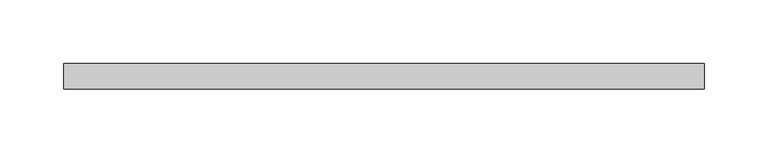
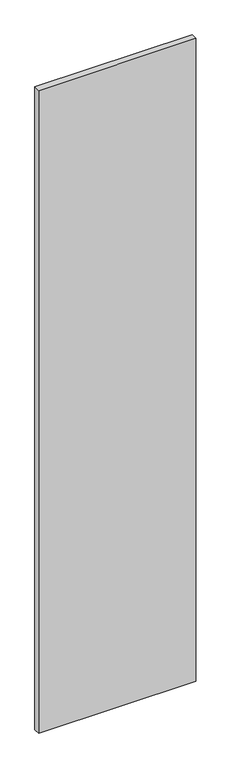
"""IFC4 building model written with IfcOpenShell, lengths in millimetres: plate geometry."""

from ifc_helpers import new_model, si_unit, origin, origin_with_axes, place, context, project, spatial, polyline, outline, extrude, source, transform, mapped, element, save


def plate_8600c463(model_context):
    return source(origin(), model_context, "Body", "SweptSolid", [
        extrude(outline(polyline([(251.4799639, 20.0), (-251.4799639, 20.0), (-251.4799639, 40.0), (251.4799639, 40.0), (251.4799639, 20.0)])), origin_with_axes(), (0.0, 0.0, 1.0), 2175.0),
    ])


if __name__ == "__main__":
    model = new_model("IFC4")
    model_context = context("Model", 3, world=origin())
    ifc_project = project(units=[si_unit("LENGTHUNIT", "METRE", prefix="MILLI")], contexts=[model_context])
    site = spatial("IfcSite", under=ifc_project)
    building = spatial("IfcBuilding", under=site)
    placement = place(None, origin())
    plate_shape = plate_8600c463(model_context)
    element("IfcPlate", 1, at=placement, inside=building, context=model_context, shape_type="MappedRepresentation", body=[
        mapped(plate_shape, transform((0.0, 0.0, 0.0), x_axis=(1.0, 0.0, 0.0), y_axis=(0.0, 1.0, 0.0), z_axis=(0.0, 0.0, 1.0))),
    ])
    save(model, "model.ifc")
